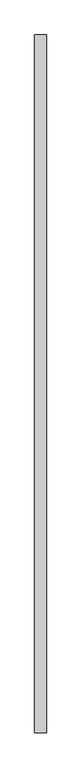
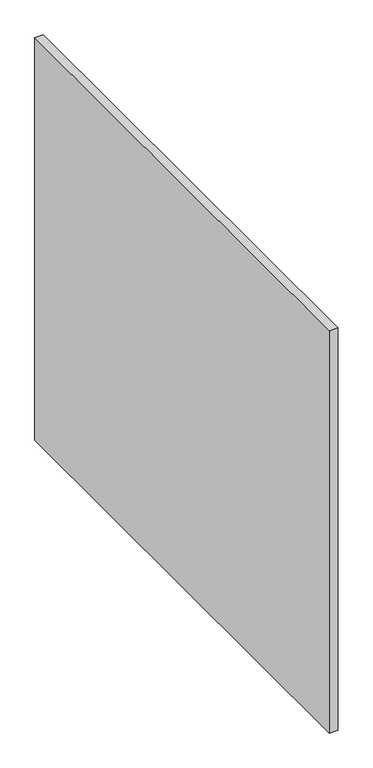
"""IFC4 building model written with IfcOpenShell, lengths in millimetres: proxy geometry."""

from ifc_helpers import new_model, si_unit, origin, origin_with_axes, place, context, project, spatial, polyline, outline, extrude, source, transform, mapped, element, save


def generic_models_c36d4bc7(model_context):
    return source(origin(), model_context, "Body", "SweptSolid", [
        extrude(outline(polyline([(50.0, 3000.0), (50.0, 0.0), (0.0, 0.0), (0.0, 3000.0), (50.0, 3000.0)])), origin_with_axes(), (0.0, 0.0, 1.0), 2500.0),
    ])


if __name__ == "__main__":
    model = new_model("IFC4")
    model_context = context("Model", 3, world=origin())
    ifc_project = project(units=[si_unit("LENGTHUNIT", "METRE", prefix="MILLI")], contexts=[model_context])
    site = spatial("IfcSite", under=ifc_project)
    building = spatial("IfcBuilding", under=site)
    placement = place(None, origin())
    generic_models_shape = generic_models_c36d4bc7(model_context)
    element("IfcBuildingElementProxy", 1, Name="Generic Models", at=placement, inside=building, context=model_context, shape_type="MappedRepresentation", body=[
        mapped(generic_models_shape, transform((0.0, 0.0, 0.0), x_axis=(1.0, 0.0, 0.0), y_axis=(0.0, 1.0, 0.0), z_axis=(0.0, 0.0, 1.0))),
    ])
    save(model, "model.ifc")
